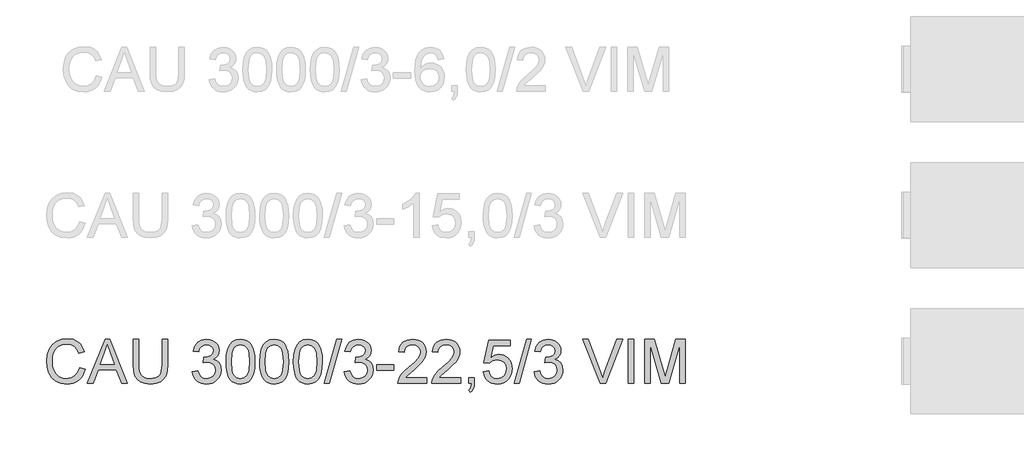
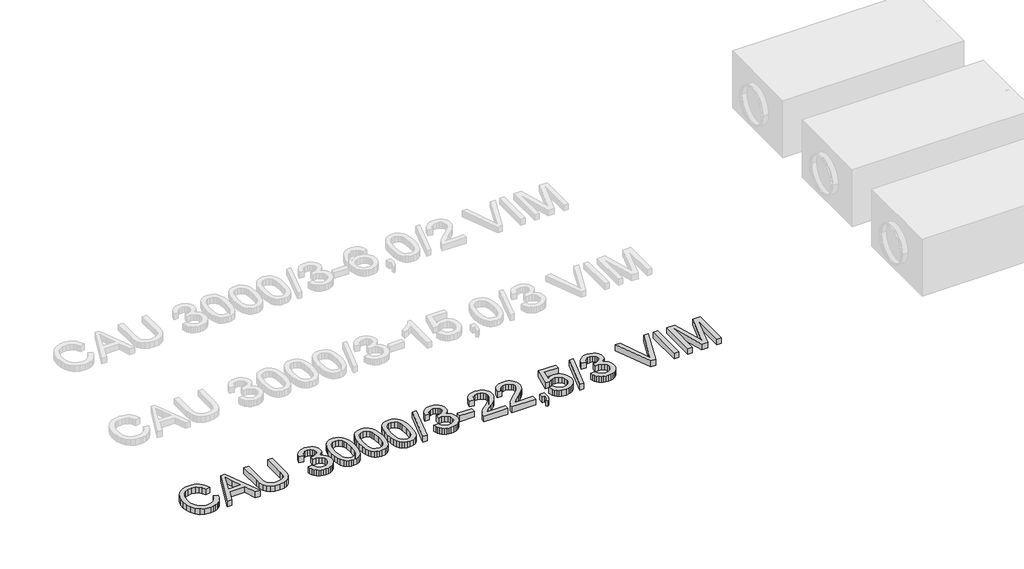
# One storey, part 48 of 74: 1 proxy.
"""IFC4 building model written with IfcOpenShell, lengths in millimetres."""

import ifcopenshell
import ifcopenshell.guid

model = None  # the IFC model being written
_history = None  # IfcOwnerHistory: only IFC2X3 demands one
_inside = {}  # id of a spatial element -> (the spatial element, [elements in it])
_under = {}  # id of a project, library or spatial element -> (it, [spatial elements below it])
_declared = {}  # id of a project -> (the project, [libraries it declares])
_typed = {}  # id of a type object -> (the type object, [elements of that type])
_made_of = {}  # id of a material, layer set ... -> (it, [elements and type objects made of it])


def new_model(schema):
    """Start an empty IFC model of exactly this schema.

    Asked for "IFC4X3", IfcOpenShell would pick the latest addendum, in which some entities
    have other attributes; the version numbers below select the first issue.
    IFC2X3 requires an IfcOwnerHistory on every rooted entity: one is made here for all.
    """
    global model, _history
    if schema == "IFC4X3":
        model = ifcopenshell.file(schema_version=(4, 3, 0, 0))
    else:
        model = ifcopenshell.file(schema=schema)
    _inside.clear()
    _under.clear()
    _declared.clear()
    _typed.clear()
    _made_of.clear()
    _history = None
    if model.schema == "IFC2X3":
        org = make("IfcOrganization", Name="unknown")
        user = make(
            "IfcPersonAndOrganization",
            ThePerson=make("IfcPerson", FamilyName="unknown"),
            TheOrganization=org,
        )
        app = make(
            "IfcApplication",
            ApplicationDeveloper=org,
            Version="unknown",
            ApplicationFullName="unknown",
            ApplicationIdentifier="unknown",
        )
        _history = make(
            "IfcOwnerHistory",
            OwningUser=user,
            OwningApplication=app,
            ChangeAction="ADDED",
            CreationDate=0,
        )
    return model


def make(cls, **values):
    """One entity of the class cls with the attributes given. An attribute that is None is left unset."""
    return model.create_entity(
        cls, **{name: value for name, value in values.items() if value is not None}
    )


def rooted(cls, **values):
    """An entity with a GlobalId (a new one), such as an element, a storey or a relation."""
    return make(cls, GlobalId=ifcopenshell.guid.new(), OwnerHistory=_history, **values)


def si_unit(unit_type, name, prefix=None):
    """IfcSIUnit, for example si_unit("LENGTHUNIT", "METRE", prefix="MILLI")."""
    return make("IfcSIUnit", UnitType=unit_type, Prefix=prefix, Name=name)


def assignment(units):
    """IfcUnitAssignment: the units of a project."""
    return None if units is None else make("IfcUnitAssignment", Units=units)


def point(xyz):
    """IfcCartesianPoint."""
    return None if xyz is None else make("IfcCartesianPoint", Coordinates=xyz)


def direction(xyz):
    """IfcDirection."""
    return None if xyz is None else make("IfcDirection", DirectionRatios=xyz)


def frame(location, z_axis=None, x_axis=None):
    """IfcAxis2Placement3D, a coordinate frame: its origin and axes. An axis left out is left unset."""
    return make(
        "IfcAxis2Placement3D",
        Location=point(location),
        Axis=direction(z_axis),
        RefDirection=direction(x_axis),
    )


def origin():
    """The frame at (0, 0, 0) with its axes left unset."""
    return frame((0.0, 0.0, 0.0))


def origin_with_axes():
    """The frame at (0, 0, 0) with the z axis (0, 0, 1) and the x axis (1, 0, 0) written out."""
    return frame((0.0, 0.0, 0.0), z_axis=(0.0, 0.0, 1.0), x_axis=(1.0, 0.0, 0.0))


def place(relative_to, where):
    """IfcLocalPlacement: puts the frame where relative to a parent placement (None: the world)."""
    return make(
        "IfcLocalPlacement", PlacementRelTo=relative_to, RelativePlacement=where
    )


def context(
    kind, dimensions, precision=None, world=None, true_north=None, identifier=None
):
    """IfcGeometricRepresentationContext, for example the 3D "Model" context."""
    return make(
        "IfcGeometricRepresentationContext",
        ContextIdentifier=identifier,
        ContextType=kind,
        CoordinateSpaceDimension=dimensions,
        Precision=precision,
        WorldCoordinateSystem=world,
        TrueNorth=true_north,
    )


def project(units=None, contexts=None):
    """IfcProject with its units and contexts."""
    return rooted(
        "IfcProject",
        Name="project",
        RepresentationContexts=contexts,
        UnitsInContext=assignment(units),
    )


def spatial(cls, under=None, at=None, **own):
    """A site, building, storey or space (cls), placed at a placement, below another one or the project."""
    s = rooted(cls, ObjectPlacement=at, **own)
    if under is not None:
        _under.setdefault(under.id(), (under, []))[1].append(s)
    return s


def polyline(points):
    """IfcPolyline through the points."""
    return make("IfcPolyline", Points=[point(p) for p in points])


def outline(outer, holes=None, kind="AREA"):
    """IfcArbitraryClosedProfileDef: a profile drawn as a closed curve; with holes, ...WithVoids."""
    if holes is None:
        return make("IfcArbitraryClosedProfileDef", ProfileType=kind, OuterCurve=outer)
    return make(
        "IfcArbitraryProfileDefWithVoids",
        ProfileType=kind,
        OuterCurve=outer,
        InnerCurves=holes,
    )


def extrude(swept, where, along, depth):
    """IfcExtrudedAreaSolid: the profile swept, set in the frame where, extruded along a direction by depth."""
    return make(
        "IfcExtrudedAreaSolid",
        SweptArea=swept,
        Position=where,
        ExtrudedDirection=direction(along),
        Depth=depth,
    )


def shape(context_of_items, identifier, shape_type, items):
    """IfcShapeRepresentation: the items that make up one representation, for example the "Body"."""
    return make(
        "IfcShapeRepresentation",
        ContextOfItems=context_of_items,
        RepresentationIdentifier=identifier,
        RepresentationType=shape_type,
        Items=items,
    )


def made_of(thing, what):
    """Note that an element or type object is made of a material, layer set ...; save() writes the relation."""
    if what is not None:
        _made_of.setdefault(what.id(), (what, []))[1].append(thing)
    return thing


def element(
    cls,
    number,
    at=None,
    inside=None,
    cuts=None,
    type_object=None,
    material=None,
    context=None,
    identifier="Body",
    shape_type=None,
    held_by="IfcProductDefinitionShape",
    body=None,
    shapes=None,
    **own,
):
    """One element of the class cls, such as IfcWall. Its Tag is "e" and its number.

    at: its placement. inside: the storey or other place that contains it. cuts: it is an
    opening in that element (IfcRelVoidsElement). A single representation is given by context,
    identifier, shape_type and body (its items); several are given by shapes. held_by: the class
    of the entity that holds the representations. save() writes the other relations.
    """
    e = rooted(cls, Tag="e%d" % number, ObjectPlacement=at, **own)
    if body is not None:
        shapes = [shape(context, identifier, shape_type, body)]
    if shapes is not None:
        e.Representation = make(held_by, Representations=shapes)
    if inside is not None:
        _inside.setdefault(inside.id(), (inside, []))[1].append(e)
    if cuts is not None:
        rooted(
            "IfcRelVoidsElement", RelatingBuildingElement=cuts, RelatedOpeningElement=e
        )
    if type_object is not None:
        _typed.setdefault(type_object.id(), (type_object, []))[1].append(e)
    return made_of(e, material)


def aggregate(whole, parts):
    """IfcRelAggregates: a whole, such as a stair, and the parts it consists of."""
    return rooted("IfcRelAggregates", RelatingObject=whole, RelatedObjects=parts)


def save(model, path):
    """Write the relations noted so far, then the file.

    IfcRelAggregates (storeys below a building ...), IfcRelContainedInSpatialStructure (elements
    in a storey), IfcRelDefinesByType, IfcRelAssociatesMaterial and IfcRelDeclares: one each for
    every whole, place, type object, material and project.
    """
    for whole, parts in _under.values():
        aggregate(whole, parts)
    for where, things in _inside.values():
        rooted(
            "IfcRelContainedInSpatialStructure",
            RelatedElements=things,
            RelatingStructure=where,
        )
    for kind, things in _typed.values():
        rooted("IfcRelDefinesByType", RelatedObjects=things, RelatingType=kind)
    for what, things in _made_of.values():
        rooted("IfcRelAssociatesMaterial", RelatedObjects=things, RelatingMaterial=what)
    for by, libraries in _declared.values():
        rooted("IfcRelDeclares", RelatingContext=by, RelatedDefinitions=libraries)
    model.write(path)


model = new_model("IFC4")

# Units and contexts
model_context = context("Model", 3, world=origin())
ifc_project = project(units=[si_unit("LENGTHUNIT", "METRE", prefix="MILLI")], contexts=[model_context])

# Site, building, storey
site = spatial("IfcSite", under=ifc_project)
building = spatial("IfcBuilding", under=site)
storey = spatial("IfcBuildingStorey", under=building, Elevation=0.0)

# Proxy
placement = place(None, origin())
element("IfcBuildingElementProxy", 1, Name="Generic Models", at=placement, inside=storey, context=model_context, shape_type="SweptSolid", body=[
    extrude(outline(polyline([(34539.6928381, -16799.1632103), (34577.3639544, -16808.875295), (34569.9097455, -16832.3024803), (34559.9815302, -16852.7728141), (34547.5793084, -16870.2862963), (34532.7030802, -16884.842927), (34515.688538, -16896.2863563), (34496.8713739, -16904.4602344), (34476.2515881, -16909.3645613), (34453.8291805, -16910.9993369), (34410.1339965, -16906.051324), (34375.4335273, -16891.2072855), (34348.835659, -16866.9822562), (34329.4482779, -16833.8912707), (34317.6116747, -16794.9877497), (34313.6661403, -16753.3251137), (34318.1267095, -16709.3816094), (34331.5084171, -16671.4345816), (34353.1122872, -16640.6888439), (34382.2393442, -16618.3492097), (34416.7834636, -16604.7467729), (34454.6385209, -16600.2126274), (34495.9424719, -16606.0803452), (34513.9112081, -16613.4149925), (34530.0911181, -16623.6834986), (34544.2154874, -16636.6145508), (34556.0176017, -16651.9368359), (34572.6550649, -16689.755105), (34534.9839486, -16698.7314257), (34521.9241378, -16671.2598377), (34504.081861, -16652.4150825), (34481.2363891, -16641.5165784), (34453.1669929, -16637.8837437), (34420.8117714, -16641.9120515), (34394.2322973, -16653.996975), (34374.0631669, -16672.8693214), (34360.9389767, -16697.2598977), (34353.7376866, -16724.8326532), (34351.3372566, -16753.2515373), (34354.179145, -16788.0531741), (34362.7048103, -16818.1459213), (34377.2361491, -16842.3801477), (34398.0950582, -16859.6062222), (34423.1018368, -16869.897721), (34450.0767841, -16873.3282206), (34481.5214977, -16868.6561192), (34507.7238928, -16854.6398152), (34527.5067471, -16831.4264613), (34539.6928381, -16799.1632103)])), origin_with_axes(), (0.0, 0.0, 1.0), 50.0),
    extrude(outline(polyline([(34594.065797, -16906.2904473), (34714.3632095, -16604.9215169), (34746.4425194, -16604.9215169), (34866.7399319, -16906.2904473), (34826.9351, -16906.2904473), (34792.4277688, -16812.1126566), (34668.3043837, -16812.1126566), (34633.8706289, -16906.2904473), (34594.065797, -16906.2904473)]), holes=[polyline([(34682.1367467, -16774.4415403), (34778.6689822, -16774.4415403), (34751.519291, -16700.3501064), (34730.4028644, -16642.5926332), (34711.6408827, -16693.8753833), (34682.1367467, -16774.4415403)])]), origin_with_axes(), (0.0, 0.0, 1.0), 50.0),
    extrude(outline(polyline([(35104.7595827, -16604.9215169), (35142.430699, -16604.9215169), (35142.430699, -16778.7825478), (35139.8739192, -16819.4978876), (35132.2035796, -16850.8506307), (35117.8745759, -16875.0388719), (35095.3418037, -16894.2607061), (35064.5500807, -16906.8146792), (35025.4442246, -16910.9993369), (34987.1936941, -16907.3573051), (34956.6135033, -16896.4312099), (34933.694455, -16878.5981302), (34918.4273522, -16854.235145), (34909.8465046, -16821.5580268), (34906.9862221, -16778.7825478), (34906.9862221, -16604.9215169), (34944.6573384, -16604.9215169), (34944.6573384, -16777.4581726), (34946.5151425, -16811.3125132), (34952.0885547, -16834.8845521), (34962.1869155, -16851.2093156), (34977.6195652, -16863.3218303), (34997.7427103, -16870.826623), (35021.9125574, -16873.3282206), (35060.2274672, -16868.3802077), (35074.5702665, -16862.1951917), (35085.7032954, -16853.5361692), (35094.0404211, -16841.3592752), (35099.9955109, -16824.6206444), (35104.7595827, -16777.4581726), (35104.7595827, -16604.9215169)])), origin_with_axes(), (0.0, 0.0, 1.0), 50.0),
    extrude(outline(polyline([(35311.9507224, -16826.2393252), (35349.6218387, -16821.5304357), (35358.0555335, -16845.203642), (35370.4071715, -16861.1881147), (35387.283758, -16870.2931941), (35409.2922983, -16873.3282206), (35435.1176144, -16869.1527599), (35455.0568185, -16856.626378), (35467.8039297, -16837.9379726), (35472.0529667, -16815.2764417), (35467.8407179, -16793.7645421), (35455.2039713, -16776.3177384), (35436.0741076, -16764.7570467), (35412.3825071, -16760.9034828), (35385.9685798, -16765.0237612), (35390.1624346, -16727.3526449), (35396.1956993, -16727.7941033), (35418.7652597, -16725.0901706), (35438.9435872, -16716.9783726), (35453.1806204, -16703.2563742), (35457.9262981, -16683.7218403), (35454.4866014, -16667.452259), (35444.1675115, -16654.2544924), (35428.4221621, -16645.508098), (35408.7036871, -16642.5926332), (35388.948424, -16645.5356892), (35372.7984044, -16654.364857), (35361.0077865, -16669.0801369), (35354.3307283, -16689.6815286), (35316.659612, -16684.972639), (35327.7512541, -16651.1458896), (35347.4881232, -16625.8907906), (35374.4906616, -16610.1638353), (35407.379312, -16604.9215169), (35431.0617154, -16607.5058879), (35452.8127384, -16615.259001), (35471.1516558, -16627.4910773), (35484.5977428, -16643.5123382), (35492.8474965, -16661.9708173), (35495.5974144, -16681.5145483), (35492.9854522, -16699.724707), (35485.1495657, -16716.2426086), (35472.2001195, -16730.3140949), (35454.2474782, -16741.1850079), (35477.828714, -16750.7131516), (35495.3031088, -16766.9367476), (35506.1188395, -16788.9728791), (35509.724083, -16815.9386293), (35507.9214612, -16835.050099), (35502.5135959, -16852.6532524), (35493.500487, -16868.7480897), (35480.8821346, -16883.3346108), (35465.5092657, -16895.4379285), (35448.2326075, -16904.0831554), (35429.05216, -16909.2702915), (35407.9679232, -16910.9993369), (35388.9116358, -16909.5232104), (35371.5476056, -16905.0948309), (35355.8758326, -16897.7141983), (35341.8963168, -16887.3813128), (35330.1746768, -16874.7031795), (35321.276531, -16860.2868038), (35315.2018796, -16844.1321857), (35311.9507224, -16826.2393252)])), origin_with_axes(), (0.0, 0.0, 1.0), 50.0),
    extrude(outline(polyline([(35542.6863098, -16758.0340033), (35545.4546218, -16709.7954767), (35553.7595578, -16671.324217), (35567.5183445, -16642.0316132), (35586.6482082, -16621.3290539), (35611.2871048, -16609.0234011), (35641.5729901, -16604.9215169), (35664.786344, -16607.3495381), (35685.5716767, -16614.6336016), (35702.954101, -16626.4885989), (35715.9587295, -16642.6294214), (35725.7811788, -16662.9181134), (35733.6170653, -16687.2167192), (35738.7490191, -16718.0728216), (35740.4596704, -16758.0340033), (35737.7189495, -16805.9966184), (35729.4967869, -16844.3759076), (35715.8207738, -16873.6961026), (35696.7185012, -16894.4814353), (35672.0244222, -16906.8698615), (35641.5729901, -16910.9993369), (35620.8244456, -16909.2059122), (35602.4303458, -16903.825638), (35586.3906908, -16894.8585143), (35572.7054806, -16882.3045413), (35559.5720934, -16859.6108207), (35550.1911025, -16831.3344908), (35544.562508, -16797.4755517), (35542.6863098, -16758.0340033)]), holes=[polyline([(35580.3574261, -16757.9604269), (35584.77201, -16817.2170193), (35590.29024, -16837.4850179), (35598.0157619, -16851.5128183), (35617.7342368, -16867.87437), (35641.5729901, -16873.3282206), (35665.4117434, -16867.8559759), (35685.1302183, -16851.4392419), (35692.8557402, -16837.3884489), (35698.3739702, -16817.1250488), (35702.7885541, -16757.9604269), (35698.5211229, -16700.0374067), (35693.186834, -16679.8360867), (35685.7188295, -16665.4748933), (35666.0371428, -16648.3131982), (35641.1315317, -16642.5926332), (35617.5502958, -16647.6326165), (35598.6043731, -16662.7525665), (35590.6213338, -16678.3875513), (35584.9191628, -16699.4671897), (35580.3574261, -16757.9604269)])]), origin_with_axes(), (0.0, 0.0, 1.0), 50.0),
    extrude(outline(polyline([(35773.4218972, -16758.0340033), (35776.1902092, -16709.7954767), (35784.4951452, -16671.324217), (35798.2539318, -16642.0316132), (35817.3837956, -16621.3290539), (35842.0226922, -16609.0234011), (35872.3085775, -16604.9215169), (35895.5219314, -16607.3495381), (35916.3072641, -16614.6336016), (35933.6896884, -16626.4885989), (35946.6943169, -16642.6294214), (35956.5167662, -16662.9181134), (35964.3526527, -16687.2167192), (35969.4846065, -16718.0728216), (35971.1952578, -16758.0340033), (35968.4545369, -16805.9966184), (35960.2323743, -16844.3759076), (35946.5563611, -16873.6961026), (35927.4540885, -16894.4814353), (35902.7600096, -16906.8698615), (35872.3085775, -16910.9993369), (35851.5600329, -16909.2059122), (35833.1659332, -16903.825638), (35817.1262782, -16894.8585143), (35803.441068, -16882.3045413), (35790.3076807, -16859.6108207), (35780.9266899, -16831.3344908), (35775.2980953, -16797.4755517), (35773.4218972, -16758.0340033)]), holes=[polyline([(35811.0930135, -16757.9604269), (35815.5075974, -16817.2170193), (35821.0258273, -16837.4850179), (35828.7513492, -16851.5128183), (35848.4698242, -16867.87437), (35872.3085775, -16873.3282206), (35896.1473308, -16867.8559759), (35915.8658057, -16851.4392419), (35923.5913276, -16837.3884489), (35929.1095575, -16817.1250488), (35933.5241415, -16757.9604269), (35929.2567103, -16700.0374067), (35923.9224214, -16679.8360867), (35916.4544169, -16665.4748933), (35896.7727302, -16648.3131982), (35871.8671191, -16642.5926332), (35848.2858832, -16647.6326165), (35829.3399604, -16662.7525665), (35821.3569211, -16678.3875513), (35815.6547502, -16699.4671897), (35811.0930135, -16757.9604269)])]), origin_with_axes(), (0.0, 0.0, 1.0), 50.0),
    extrude(outline(polyline([(36004.1574845, -16758.0340033), (36006.9257966, -16709.7954767), (36015.2307326, -16671.324217), (36028.9895192, -16642.0316132), (36048.119383, -16621.3290539), (36072.7582796, -16609.0234011), (36103.0441648, -16604.9215169), (36126.2575187, -16607.3495381), (36147.0428515, -16614.6336016), (36164.4252757, -16626.4885989), (36177.4299043, -16642.6294214), (36187.2523535, -16662.9181134), (36195.08824, -16687.2167192), (36200.2201939, -16718.0728216), (36201.9308451, -16758.0340033), (36199.1901243, -16805.9966184), (36190.9679617, -16844.3759076), (36177.2919485, -16873.6961026), (36158.1896759, -16894.4814353), (36133.495597, -16906.8698615), (36103.0441648, -16910.9993369), (36082.2956203, -16909.2059122), (36063.9015206, -16903.825638), (36047.8618656, -16894.8585143), (36034.1766553, -16882.3045413), (36021.0432681, -16859.6108207), (36011.6622772, -16831.3344908), (36006.0336827, -16797.4755517), (36004.1574845, -16758.0340033)]), holes=[polyline([(36041.8286008, -16757.9604269), (36046.2431848, -16817.2170193), (36051.7614147, -16837.4850179), (36059.4869366, -16851.5128183), (36079.2054116, -16867.87437), (36103.0441648, -16873.3282206), (36126.8829181, -16867.8559759), (36146.6013931, -16851.4392419), (36154.326915, -16837.3884489), (36159.8451449, -16817.1250488), (36164.2597288, -16757.9604269), (36159.9922977, -16700.0374067), (36154.6580088, -16679.8360867), (36147.1900043, -16665.4748933), (36127.5083175, -16648.3131982), (36102.6027065, -16642.5926332), (36079.0214706, -16647.6326165), (36060.0755478, -16662.7525665), (36052.0925085, -16678.3875513), (36046.3903376, -16699.4671897), (36041.8286008, -16757.9604269)])]), origin_with_axes(), (0.0, 0.0, 1.0), 50.0),
    extrude(outline(polyline([(36216.0575138, -16906.2904473), (36300.8175255, -16604.9215169), (36334.8098218, -16604.9215169), (36250.0498101, -16906.2904473), (36216.0575138, -16906.2904473)])), origin_with_axes(), (0.0, 0.0, 1.0), 50.0),
    extrude(outline(polyline([(36352.6153104, -16826.2393252), (36390.2864267, -16821.5304357), (36398.7201214, -16845.203642), (36411.0717594, -16861.1881147), (36427.9483459, -16870.2931941), (36449.9568863, -16873.3282206), (36475.7822024, -16869.1527599), (36495.7214065, -16856.626378), (36508.4685176, -16837.9379726), (36512.7175547, -16815.2764417), (36508.5053058, -16793.7645421), (36495.8685593, -16776.3177384), (36476.7386955, -16764.7570467), (36453.0470951, -16760.9034828), (36426.6331678, -16765.0237612), (36430.8270225, -16727.3526449), (36436.8602873, -16727.7941033), (36459.4298477, -16725.0901706), (36479.6081751, -16716.9783726), (36493.8452083, -16703.2563742), (36498.5908861, -16683.7218403), (36495.1511894, -16667.452259), (36484.8320994, -16654.2544924), (36469.08675, -16645.508098), (36449.3682751, -16642.5926332), (36429.613012, -16645.5356892), (36413.4629924, -16654.364857), (36401.6723744, -16669.0801369), (36394.9953162, -16689.6815286), (36357.3241999, -16684.972639), (36368.4158421, -16651.1458896), (36388.1527111, -16625.8907906), (36415.1552496, -16610.1638353), (36448.0438999, -16604.9215169), (36471.7263034, -16607.5058879), (36493.4773263, -16615.259001), (36511.8162438, -16627.4910773), (36525.2623307, -16643.5123382), (36533.5120845, -16661.9708173), (36536.2620024, -16681.5145483), (36533.6500402, -16699.724707), (36525.8141537, -16716.2426086), (36512.8647075, -16730.3140949), (36494.9120661, -16741.1850079), (36518.493302, -16750.7131516), (36535.9676968, -16766.9367476), (36546.7834274, -16788.9728791), (36550.388671, -16815.9386293), (36548.5860492, -16835.050099), (36543.1781839, -16852.6532524), (36534.165075, -16868.7480897), (36521.5467226, -16883.3346108), (36506.1738537, -16895.4379285), (36488.8971955, -16904.0831554), (36469.716748, -16909.2702915), (36448.6325111, -16910.9993369), (36429.5762238, -16909.5232104), (36412.2121936, -16905.0948309), (36396.5404206, -16897.7141983), (36382.5609048, -16887.3813128), (36370.8392647, -16874.7031795), (36361.941119, -16860.2868038), (36355.8664675, -16844.1321857), (36352.6153104, -16826.2393252)])), origin_with_axes(), (0.0, 0.0, 1.0), 50.0),
    extrude(outline(polyline([(36573.9331187, -16816.8215461), (36573.9331187, -16779.1504298), (36691.6553571, -16779.1504298), (36691.6553571, -16816.8215461), (36573.9331187, -16816.8215461)])), origin_with_axes(), (0.0, 0.0, 1.0), 50.0),
    extrude(outline(polyline([(36917.682055, -16868.619331), (36917.682055, -16906.2904473), (36719.9086944, -16906.2904473), (36723.9553963, -16880.3179785), (36733.2444167, -16860.0200894), (36746.8376564, -16840.3292056), (36766.500949, -16819.7186168), (36794.0001282, -16796.6616128), (36834.6510887, -16760.553995), (36859.0416649, -16733.9009444), (36871.2369531, -16712.2694831), (36875.3020491, -16691.226633), (36871.4668793, -16672.3634837), (36859.9613699, -16656.6825136), (36842.275443, -16646.1151033), (36819.8990206, -16642.5926332), (36796.4005582, -16646.0323299), (36778.1444142, -16656.3514198), (36766.3629933, -16672.7405627), (36762.2887002, -16694.3904181), (36724.6175839, -16689.6815286), (36733.7502544, -16653.242817), (36742.296613, -16638.7068796), (36753.4963205, -16626.6265546), (36767.0918595, -16617.1306006), (36782.8257126, -16610.3477763), (36820.708361, -16604.9215169), (36840.8981848, -16606.4298331), (36858.866921, -16610.9547816), (36874.6145696, -16618.4963625), (36888.1411308, -16629.0545758), (36899.0051459, -16641.8476722), (36906.7651568, -16656.0939024), (36911.4211633, -16671.7932666), (36912.9731654, -16688.9457646), (36911.2993023, -16706.9627853), (36906.2777131, -16724.6671063), (36897.3657718, -16742.67493), (36884.0208524, -16761.6024586), (36862.748076, -16784.1996102), (36830.0525637, -16813.2163026), (36786.7160647, -16849.4526791), (36769.7199165, -16868.619331), (36917.682055, -16868.619331)])), origin_with_axes(), (0.0, 0.0, 1.0), 50.0),
    extrude(outline(polyline([(37148.4176423, -16868.619331), (37148.4176423, -16906.2904473), (36950.6442817, -16906.2904473), (36954.6909837, -16880.3179785), (36963.9800041, -16860.0200894), (36977.5732438, -16840.3292056), (36997.2365364, -16819.7186168), (37024.7357156, -16796.6616128), (37065.386676, -16760.553995), (37089.7772523, -16733.9009444), (37101.9725404, -16712.2694831), (37106.0376365, -16691.226633), (37102.2024667, -16672.3634837), (37090.6969573, -16656.6825136), (37073.0110304, -16646.1151033), (37050.634608, -16642.5926332), (37027.1361456, -16646.0323299), (37008.8800016, -16656.3514198), (36997.0985807, -16672.7405627), (36993.0242876, -16694.3904181), (36955.3531713, -16689.6815286), (36964.4858418, -16653.242817), (36973.0322004, -16638.7068796), (36984.2319079, -16626.6265546), (36997.8274469, -16617.1306006), (37013.5613, -16610.3477763), (37051.4439484, -16604.9215169), (37071.6337722, -16606.4298331), (37089.6025084, -16610.9547816), (37105.350157, -16618.4963625), (37118.8767181, -16629.0545758), (37129.7407333, -16641.8476722), (37137.5007441, -16656.0939024), (37142.1567506, -16671.7932666), (37143.7087528, -16688.9457646), (37142.0348897, -16706.9627853), (37137.0133005, -16724.6671063), (37128.1013592, -16742.67493), (37114.7564398, -16761.6024586), (37093.4836634, -16784.1996102), (37060.7881511, -16813.2163026), (37017.4516521, -16849.4526791), (37000.4555039, -16868.619331), (37148.4176423, -16868.619331)])), origin_with_axes(), (0.0, 0.0, 1.0), 50.0),
    extrude(outline(polyline([(37204.9243168, -16906.2904473), (37204.9243168, -16868.619331), (37242.5954331, -16868.619331), (37242.5954331, -16906.2904473), (37240.9031759, -16927.8391352), (37235.8264044, -16944.8076922), (37227.0708129, -16957.8215178), (37214.3420959, -16967.5060113), (37204.9243168, -16953.3793427), (37213.0912971, -16946.5551317), (37218.7566798, -16937.1189585), (37223.6862986, -16906.2904473), (37204.9243168, -16906.2904473)])), origin_with_axes(), (0.0, 0.0, 1.0), 50.0),
    extrude(outline(polyline([(37303.8109971, -16826.2393252), (37341.4821134, -16821.5304357), (37348.3982949, -16844.1459813), (37360.4648244, -16860.3419861), (37377.6265194, -16870.081662), (37399.8281978, -16873.3282206), (37426.8307363, -16868.8124691), (37447.064246, -16855.2652146), (37459.7009926, -16834.2499556), (37463.9132414, -16807.3301906), (37459.967707, -16781.9831212), (37448.1311038, -16762.59574), (37428.3114613, -16750.2900873), (37400.416809, -16746.188203), (37382.1422709, -16747.8252779), (37367.3442177, -16752.7365026), (37346.1910029, -16769.7326507), (37308.5198866, -16765.0237612), (37341.4821134, -16609.6304064), (37487.4576891, -16609.6304064), (37487.4576891, -16647.3015227), (37371.9427426, -16647.3015227), (37355.8295112, -16730.2957008), (37382.7400792, -16713.9617403), (37410.9382341, -16708.5170867), (37429.2840493, -16710.2047454), (37446.135344, -16715.2677213), (37461.492118, -16723.7060146), (37475.3543715, -16735.5196252), (37486.8299904, -16749.9865846), (37495.0268611, -16766.3849246), (37499.9449836, -16784.714645), (37501.5843577, -16804.9757459), (37495.6798517, -16842.6468622), (37488.2992192, -16859.4406753), (37477.9663336, -16874.873325), (37462.3129547, -16890.6784552), (37444.0476137, -16901.9678339), (37423.1703104, -16908.7414611), (37399.681045, -16910.9993369), (37362.6813134, -16905.1959984), (37347.0026426, -16897.9418253), (37333.2047685, -16887.785983), (37321.724551, -16875.2343092), (37312.9988499, -16860.7926416), (37303.8109971, -16826.2393252)])), origin_with_axes(), (0.0, 0.0, 1.0), 50.0),
    extrude(outline(polyline([(37515.7110263, -16906.2904473), (37600.471038, -16604.9215169), (37634.4633344, -16604.9215169), (37549.7033227, -16906.2904473), (37515.7110263, -16906.2904473)])), origin_with_axes(), (0.0, 0.0, 1.0), 50.0),
    extrude(outline(polyline([(37652.2688229, -16826.2393252), (37689.9399392, -16821.5304357), (37698.373634, -16845.203642), (37710.725272, -16861.1881147), (37727.6018585, -16870.2931941), (37749.6103989, -16873.3282206), (37775.4357149, -16869.1527599), (37795.3749191, -16856.626378), (37808.1220302, -16837.9379726), (37812.3710672, -16815.2764417), (37808.1588184, -16793.7645421), (37795.5220719, -16776.3177384), (37776.3922081, -16764.7570467), (37752.7006076, -16760.9034828), (37726.2866804, -16765.0237612), (37730.4805351, -16727.3526449), (37736.5137998, -16727.7941033), (37759.0833602, -16725.0901706), (37779.2616877, -16716.9783726), (37793.4987209, -16703.2563742), (37798.2443986, -16683.7218403), (37794.804702, -16667.452259), (37784.485612, -16654.2544924), (37768.7402626, -16645.508098), (37749.0217877, -16642.5926332), (37729.2665245, -16645.5356892), (37713.1165049, -16654.364857), (37701.325887, -16669.0801369), (37694.6488288, -16689.6815286), (37656.9777125, -16684.972639), (37668.0693546, -16651.1458896), (37687.8062237, -16625.8907906), (37714.8087621, -16610.1638353), (37747.6974125, -16604.9215169), (37771.3798159, -16607.5058879), (37793.1308389, -16615.259001), (37811.4697563, -16627.4910773), (37824.9158433, -16643.5123382), (37833.165597, -16661.9708173), (37835.9155149, -16681.5145483), (37833.3035528, -16699.724707), (37825.4676663, -16716.2426086), (37812.51822, -16730.3140949), (37794.5655787, -16741.1850079), (37818.1468146, -16750.7131516), (37835.6212093, -16766.9367476), (37846.43694, -16788.9728791), (37850.0421835, -16815.9386293), (37848.2395618, -16835.050099), (37842.8316964, -16852.6532524), (37833.8185876, -16868.7480897), (37821.2002351, -16883.3346108), (37805.8273662, -16895.4379285), (37788.550708, -16904.0831554), (37769.3702605, -16909.2702915), (37748.2860237, -16910.9993369), (37729.2297363, -16909.5232104), (37711.8657062, -16905.0948309), (37696.1939332, -16897.7141983), (37682.2144173, -16887.3813128), (37670.4927773, -16874.7031795), (37661.5946315, -16860.2868038), (37655.5199801, -16844.1321857), (37652.2688229, -16826.2393252)])), origin_with_axes(), (0.0, 0.0, 1.0), 50.0),
    extrude(outline(polyline([(38103.8807602, -16906.2904473), (37983.9512298, -16604.9215169), (38024.2710965, -16604.9215169), (38104.5429478, -16822.0454704), (38120.803332, -16870.9737758), (38136.842987, -16822.0454704), (38217.3355675, -16604.9215169), (38257.6554342, -16604.9215169), (38142.8026753, -16906.2904473), (38103.8807602, -16906.2904473)])), origin_with_axes(), (0.0, 0.0, 1.0), 50.0),
    extrude(outline(polyline([(38297.3866897, -16906.2904473), (38297.3866897, -16604.9215169), (38335.057806, -16604.9215169), (38335.057806, -16906.2904473), (38297.3866897, -16906.2904473)])), origin_with_axes(), (0.0, 0.0, 1.0), 50.0),
    extrude(outline(polyline([(38410.4000386, -16906.2904473), (38410.4000386, -16604.9215169), (38475.2208461, -16604.9215169), (38536.8778685, -16817.3365809), (38549.31228, -16861.7031495), (38562.776761, -16813.657761), (38623.4037138, -16604.9215169), (38688.2245214, -16604.9215169), (38688.2245214, -16906.2904473), (38650.553405, -16906.2904473), (38650.553405, -16642.5926332), (38574.8432904, -16906.2904473), (38523.7812695, -16906.2904473), (38448.0711549, -16642.5926332), (38448.0711549, -16906.2904473), (38410.4000386, -16906.2904473)])), origin_with_axes(), (0.0, 0.0, 1.0), 50.0),
])

save(model, "model.ifc")
